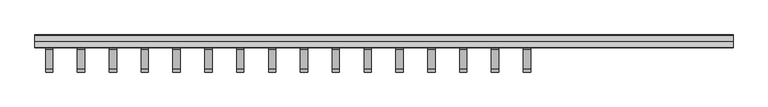
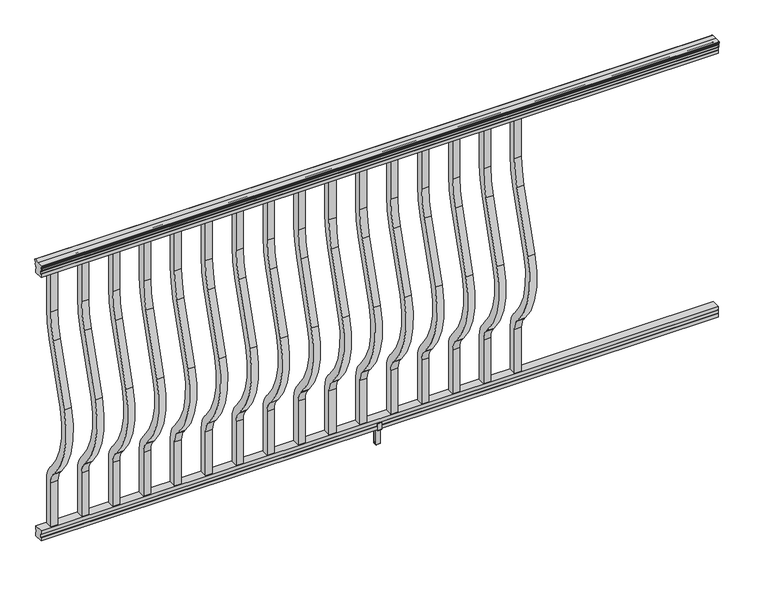
"""IFC4 building model written with IfcOpenShell, lengths in millimetres: railing geometry."""

from ifc_helpers import new_model, si_unit, point, frame, frame_2d, origin, place, context, project, spatial, polyline, circle_curve, trimmed, segment, composite_curve, outline, extrude, faceted_brep, source, transform, mapped, element, save
from ifc_brep_helpers import plane_surface, cylinder_surface, revolved_surface, advanced_brep


def railing_68f44a37(model_context):
    return source(origin(), model_context, "Body", "SolidModel", [
        advanced_brep(
        [(19455.8841294, -49289.7992427, 1090.8043297), (19455.8841294, -49287.225414, 1090.8043297), (19455.8841294, -49287.225414, 1080.147013), (19455.8841294, -49288.241414, 1079.131013), (19455.8841294, -49288.241414, 1066.8), (19455.8841294, -49256.491414, 1066.8), (19455.8841294, -49256.491414, 1079.2888283), (19455.8841294, -49257.507414, 1080.3048283), (19455.8841294, -49257.507414, 1090.8043297), (19455.8841294, -49254.9335853, 1090.8043297), (19455.8841294, -49254.9335853, 1092.692412), (19455.8841294, -49253.803399, 1094.2546695), (19455.8841294, -49253.803399, 1101.4726458), (19455.8841294, -49254.4526554, 1103.9060812), (19455.8841294, -49251.9526554, 1108.2362083), (19455.8841294, -49250.5433129, 1109.9157972), (19455.8841294, -49250.1414139, 1111.0205318), (19455.8841294, -49250.141414, 1112.3608158), (19455.8841294, -49251.6948612, 1113.914263), (19455.8841294, -49272.366414, 1113.914263), (19455.8841294, -49293.0379668, 1113.914263), (19455.8841294, -49294.591414, 1112.3608158), (19455.8841294, -49294.591414, 1111.0205318), (19455.8841294, -49294.1895151, 1109.9157972), (19455.8841294, -49292.7801726, 1108.2362083), (19455.8841294, -49290.2801726, 1103.9060812), (19455.8841294, -49290.929429, 1101.4726458), (19455.8841294, -49290.929429, 1094.2546695), (19455.8841294, -49289.7992427, 1092.692412), (17017.4841294, -49289.7992427, 1090.8043297), (17017.4841294, -49289.7992427, 1092.692412), (17017.4841294, -49290.929429, 1094.2546695), (17017.4841294, -49290.929429, 1101.4726458), (17017.4841294, -49290.2801726, 1103.9060812), (17017.4841294, -49292.7801726, 1108.2362083), (17017.4841294, -49294.1895151, 1109.9157972), (17017.4841294, -49294.5914141, 1111.0205318), (17017.4841294, -49294.591414, 1112.3608158), (17017.4841294, -49293.0379668, 1113.914263), (17017.4841294, -49272.366414, 1113.914263), (17017.4841294, -49251.6948612, 1113.914263), (17017.4841294, -49250.141414, 1112.3608158), (17017.4841294, -49250.141414, 1111.0205318), (17017.4841294, -49250.5433129, 1109.9157972), (17017.4841294, -49251.9526554, 1108.2362083), (17017.4841294, -49254.4526554, 1103.9060812), (17017.4841294, -49253.803399, 1101.4726458), (17017.4841294, -49253.803399, 1094.2546695), (17017.4841294, -49254.9335853, 1092.692412), (17017.4841294, -49254.9335853, 1090.8043297), (17017.4841294, -49257.507414, 1090.8043297), (17017.4841294, -49257.507414, 1080.3048283), (17017.4841294, -49256.491414, 1079.2888283), (17017.4841294, -49256.491414, 1066.8), (17017.4841294, -49288.241414, 1066.8), (17017.4841294, -49288.241414, 1079.131013), (17017.4841294, -49287.225414, 1080.147013), (17017.4841294, -49287.225414, 1090.8043297)],
        [
            (0, 1, circle_curve(frame((19455.8841294, -49288.5123284, 1090.8043297), z_axis=(1.0, 0.0, 0.0), x_axis=(0.0, 1.0, 0.0)), 1.2869144)),
            (1, 2),
            (2, 3),
            (3, 4),
            (4, 5),
            (5, 6),
            (6, 7),
            (7, 8),
            (8, 9, circle_curve(frame((19455.8841294, -49256.2204996, 1090.8043297), z_axis=(1.0, 0.0, 0.0), x_axis=(0.0, -1.0, 0.0)), 1.2869144)),
            (9, 10),
            (10, 11, circle_curve(frame((19455.8841294, -49261.2483386, 1098.4506383), z_axis=(1.0, 0.0, 0.0), x_axis=(0.0, -1.0, 0.0)), 8.545951)),
            (11, 12, circle_curve(frame((19455.8841294, -49260.8112756, 1097.8636577), z_axis=(1.0, 0.0, 0.0), x_axis=(0.0, -1.0, 0.0)), 7.882584)),
            (12, 13, circle_curve(frame((19455.8841294, -49250.2979515, 1103.7112527), z_axis=(-1.0, 0.0, 0.0), x_axis=(0.0, -1.0, 0.0)), 4.1592695)),
            (13, 14, circle_curve(frame((19455.8841294, -49249.0106449, 1103.6508864), z_axis=(-1.0, 0.0, 0.0), x_axis=(0.0, -1.0, 0.0)), 5.4479907)),
            (14, 15, circle_curve(frame((19455.8841294, -49250.2438033, 1108.233395), z_axis=(-1.0, 0.0, 0.0), x_axis=(0.0, -1.0, 0.0)), 1.7088543)),
            (15, 16, circle_curve(frame((19455.8841294, -49251.8607034, 1111.0205318), z_axis=(1.0, 0.0, 0.0), x_axis=(0.0, -1.0, 0.0)), 1.7192895)),
            (16, 17),
            (17, 18, circle_curve(frame((19455.8841294, -49251.6948612, 1112.3608158), z_axis=(1.0, 0.0, 0.0), x_axis=(0.0, -1.0, 0.0)), 1.5534472)),
            (18, 19),
            (19, 20),
            (20, 21, circle_curve(frame((19455.8841294, -49293.0379668, 1112.3608158), z_axis=(1.0, 0.0, 0.0), x_axis=(0.0, 1.0, 0.0)), 1.5534472)),
            (21, 22),
            (22, 23, circle_curve(frame((19455.8841294, -49292.8721246, 1111.0205318), z_axis=(1.0, 0.0, 0.0), x_axis=(0.0, 1.0, 0.0)), 1.7192895)),
            (23, 24, circle_curve(frame((19455.8841294, -49294.4890247, 1108.233395), z_axis=(-1.0, 0.0, 0.0), x_axis=(0.0, 1.0, 0.0)), 1.7088543)),
            (24, 25, circle_curve(frame((19455.8841294, -49295.7221831, 1103.6508864), z_axis=(-1.0, 0.0, 0.0), x_axis=(0.0, 1.0, 0.0)), 5.4479907)),
            (25, 26, circle_curve(frame((19455.8841294, -49294.4348766, 1103.7112527), z_axis=(-1.0, 0.0, 0.0), x_axis=(0.0, 1.0, 0.0)), 4.1592695)),
            (26, 27, circle_curve(frame((19455.8841294, -49283.9215524, 1097.8636577), z_axis=(1.0, 0.0, 0.0), x_axis=(0.0, 1.0, 0.0)), 7.882584)),
            (27, 28, circle_curve(frame((19455.8841294, -49283.4844895, 1098.4506383), z_axis=(1.0, 0.0, 0.0), x_axis=(0.0, 1.0, 0.0)), 8.545951)),
            (28, 0),
            (29, 30),
            (30, 31, circle_curve(frame((17017.4841294, -49283.4844895, 1098.4506383), z_axis=(-1.0, 0.0, 0.0), x_axis=(0.0, 1.0, 0.0)), 8.545951)),
            (31, 32, circle_curve(frame((17017.4841294, -49283.9215524, 1097.8636577), z_axis=(-1.0, 0.0, 0.0), x_axis=(0.0, 1.0, 0.0)), 7.882584)),
            (32, 33, circle_curve(frame((17017.4841294, -49294.4348766, 1103.7112527), z_axis=(1.0, 0.0, 0.0), x_axis=(0.0, 1.0, 0.0)), 4.1592695)),
            (33, 34, circle_curve(frame((17017.4841294, -49295.7221831, 1103.6508864), z_axis=(1.0, 0.0, 0.0), x_axis=(0.0, 1.0, 0.0)), 5.4479907)),
            (34, 35, circle_curve(frame((17017.4841294, -49294.4890247, 1108.233395), z_axis=(1.0, 0.0, 0.0), x_axis=(0.0, 1.0, 0.0)), 1.7088543)),
            (35, 36, circle_curve(frame((17017.4841294, -49292.8721246, 1111.0205318), z_axis=(-1.0, 0.0, 0.0), x_axis=(0.0, 1.0, 0.0)), 1.7192895)),
            (36, 37),
            (37, 38, circle_curve(frame((17017.4841294, -49293.0379668, 1112.3608158), z_axis=(-1.0, 0.0, 0.0), x_axis=(0.0, 1.0, 0.0)), 1.5534472)),
            (38, 39),
            (39, 40),
            (40, 41, circle_curve(frame((17017.4841294, -49251.6948612, 1112.3608158), z_axis=(-1.0, 0.0, 0.0), x_axis=(0.0, -1.0, 0.0)), 1.5534472)),
            (41, 42),
            (42, 43, circle_curve(frame((17017.4841294, -49251.8607034, 1111.0205318), z_axis=(-1.0, 0.0, 0.0), x_axis=(0.0, -1.0, 0.0)), 1.7192895)),
            (43, 44, circle_curve(frame((17017.4841294, -49250.2438033, 1108.233395), z_axis=(1.0, 0.0, 0.0), x_axis=(0.0, -1.0, 0.0)), 1.7088543)),
            (44, 45, circle_curve(frame((17017.4841294, -49249.0106449, 1103.6508864), z_axis=(1.0, 0.0, 0.0), x_axis=(0.0, -1.0, 0.0)), 5.4479907)),
            (45, 46, circle_curve(frame((17017.4841294, -49250.2979515, 1103.7112527), z_axis=(1.0, 0.0, 0.0), x_axis=(0.0, -1.0, 0.0)), 4.1592695)),
            (46, 47, circle_curve(frame((17017.4841294, -49260.8112756, 1097.8636577), z_axis=(-1.0, 0.0, 0.0), x_axis=(0.0, -1.0, 0.0)), 7.882584)),
            (47, 48, circle_curve(frame((17017.4841294, -49261.2483386, 1098.4506383), z_axis=(-1.0, 0.0, 0.0), x_axis=(0.0, -1.0, 0.0)), 8.545951)),
            (48, 49),
            (49, 50, circle_curve(frame((17017.4841294, -49256.2204996, 1090.8043297), z_axis=(-1.0, 0.0, 0.0), x_axis=(0.0, -1.0, 0.0)), 1.2869144)),
            (50, 51),
            (51, 52),
            (52, 53),
            (53, 54),
            (54, 55),
            (55, 56),
            (56, 57),
            (57, 29, circle_curve(frame((17017.4841294, -49288.5123284, 1090.8043297), z_axis=(-1.0, 0.0, 0.0), x_axis=(0.0, 1.0, 0.0)), 1.2869144)),
            (0, 29),
            (57, 1),
            (56, 2),
            (55, 3),
            (54, 4),
            (53, 5),
            (52, 6),
            (51, 7),
            (50, 8),
            (49, 9),
            (48, 10),
            (47, 11),
            (46, 12),
            (45, 13),
            (44, 14),
            (43, 15),
            (42, 16),
            (41, 17),
            (40, 18),
            (39, 19),
            (38, 20),
            (37, 21),
            (36, 22),
            (35, 23),
            (34, 24),
            (33, 25),
            (32, 26),
            (31, 27),
            (30, 28),
        ],
        [
            plane_surface(frame((19455.8841294, -49272.366414, 1066.8), z_axis=(1.0, 0.0, 0.0), x_axis=(0.0, -1.0, 0.0))),
            plane_surface(frame((17017.4841294, -49272.366414, 1066.8), z_axis=(-1.0, 0.0, 0.0), x_axis=(0.0, -1.0, 0.0))),
            cylinder_surface(frame((19455.8841294, -49288.5123284, 1090.8043297), z_axis=(1.0, 0.0, 0.0), x_axis=(0.0, 1.0, 0.0)), 1.2869144),
            plane_surface(frame((19455.8841294, -49287.225414, 1090.8043297), z_axis=(0.0, -1.0, 0.0), x_axis=(-1.0, 0.0, 0.0))),
            plane_surface(frame((19455.8841294, -49287.225414, 1080.147013), z_axis=(0.0, -0.7071067811865395, 0.7071067811865556), x_axis=(-1.0, 0.0, 0.0))),
            plane_surface(frame((19455.8841294, -49288.241414, 1079.131013), z_axis=(0.0, -1.0, 0.0), x_axis=(-1.0, 0.0, 0.0))),
            plane_surface(frame((19455.8841294, -49288.241414, 1066.8), z_axis=(0.0, 0.0, -1.0), x_axis=(-1.0, 0.0, 0.0))),
            plane_surface(frame((19455.8841294, -49256.491414, 1066.8), z_axis=(0.0, 1.0, 0.0), x_axis=(-1.0, 0.0, 0.0))),
            plane_surface(frame((19455.8841294, -49256.491414, 1079.2888283), z_axis=(0.0, 0.7071067811865432, 0.707106781186552), x_axis=(-1.0, 0.0, 0.0))),
            plane_surface(frame((19455.8841294, -49257.507414, 1080.3048283), z_axis=(0.0, 1.0, 0.0), x_axis=(-1.0, 0.0, 0.0))),
            cylinder_surface(frame((19455.8841294, -49256.2204996, 1090.8043297), z_axis=(1.0, 0.0, 0.0), x_axis=(0.0, -1.0, 0.0)), 1.2869144),
            plane_surface(frame((19455.8841294, -49254.9335853, 1090.8043297), z_axis=(0.0, 1.0, 0.0), x_axis=(-1.0, 0.0, 0.0))),
            cylinder_surface(frame((19455.8841294, -49261.2483386, 1098.4506383), z_axis=(1.0, 0.0, 0.0), x_axis=(0.0, -1.0, 0.0)), 8.545951),
            cylinder_surface(frame((19455.8841294, -49260.8112756, 1097.8636577), z_axis=(1.0, 0.0, 0.0), x_axis=(0.0, -1.0, 0.0)), 7.882584),
            revolved_surface(polyline([(17017.4841294, -49254.457221, 1103.7112527), (19455.8841294, -49254.457221, 1103.7112527)]), (19455.8841294, -49250.2979515, 1103.7112527), (-1.0, 0.0, 0.0)),
            revolved_surface(polyline([(17017.4841294, -49254.4586356, 1103.6508864), (19455.8841294, -49254.4586356, 1103.6508864)]), (19455.8841294, -49249.0106449, 1103.6508864), (-1.0, 0.0, 0.0)),
            revolved_surface(polyline([(17017.4841294, -49251.9526576, 1108.233395), (19455.8841294, -49251.9526576, 1108.233395)]), (19455.8841294, -49250.2438033, 1108.233395), (-1.0, 0.0, 0.0)),
            cylinder_surface(frame((19455.8841294, -49251.8607034, 1111.0205318), z_axis=(1.0, 0.0, 0.0), x_axis=(0.0, -1.0, 0.0)), 1.7192895),
            plane_surface(frame((19455.8841294, -49250.141414, 1111.0205318), z_axis=(0.0, 1.0, 0.0), x_axis=(-1.0, 0.0, 0.0))),
            cylinder_surface(frame((19455.8841294, -49251.6948612, 1112.3608158), z_axis=(1.0, 0.0, 0.0), x_axis=(0.0, -1.0, 0.0)), 1.5534472),
            plane_surface(frame((19455.8841294, -49251.6948612, 1113.914263), z_axis=(0.0, 0.0, 1.0), x_axis=(-1.0, 0.0, 0.0))),
            plane_surface(frame((19455.8841294, -49272.366414, 1113.914263), z_axis=(0.0, 0.0, 1.0), x_axis=(-1.0, 0.0, 0.0))),
            cylinder_surface(frame((19455.8841294, -49293.0379668, 1112.3608158), z_axis=(1.0, 0.0, 0.0), x_axis=(0.0, 1.0, 0.0)), 1.5534472),
            plane_surface(frame((19455.8841294, -49294.591414, 1112.3608158), z_axis=(0.0, -1.0, 0.0), x_axis=(-1.0, 0.0, 0.0))),
            cylinder_surface(frame((19455.8841294, -49292.8721246, 1111.0205318), z_axis=(1.0, 0.0, 0.0), x_axis=(0.0, 1.0, 0.0)), 1.7192895),
            revolved_surface(polyline([(17017.4841294, -49292.7801704, 1108.233395), (19455.8841294, -49292.7801704, 1108.233395)]), (19455.8841294, -49294.4890247, 1108.233395), (-1.0, 0.0, 0.0)),
            revolved_surface(polyline([(17017.4841294, -49290.2741924, 1103.6508864), (19455.8841294, -49290.2741924, 1103.6508864)]), (19455.8841294, -49295.7221831, 1103.6508864), (-1.0, 0.0, 0.0)),
            revolved_surface(polyline([(17017.4841294, -49290.2756071, 1103.7112527), (19455.8841294, -49290.2756071, 1103.7112527)]), (19455.8841294, -49294.4348766, 1103.7112527), (-1.0, 0.0, 0.0)),
            cylinder_surface(frame((19455.8841294, -49283.9215524, 1097.8636577), z_axis=(1.0, 0.0, 0.0), x_axis=(0.0, 1.0, 0.0)), 7.882584),
            cylinder_surface(frame((19455.8841294, -49283.4844895, 1098.4506383), z_axis=(1.0, 0.0, 0.0), x_axis=(0.0, 1.0, 0.0)), 8.545951),
            plane_surface(frame((19455.8841294, -49289.7992427, 1092.692412), z_axis=(0.0, -1.0, 0.0), x_axis=(-1.0, 0.0, 0.0))),
        ],
        [
            (0, [[1, 2, 3, 4, 5, 6, 7, 8, 9, 10, 11, 12, 13, 14, 15, 16, 17, 18, 19, 20, 21, 22, 23, 24, 25, 26, 27, 28, 29]]),
            (1, [[30, 31, 32, 33, 34, 35, 36, 37, 38, 39, 40, 41, 42, 43, 44, 45, 46, 47, 48, 49, 50, 51, 52, 53, 54, 55, 56, 57, 58]]),
            (2, [[-1, 59, -58, 60]]),
            (3, [[-2, -60, -57, 61]]),
            (4, [[-3, -61, -56, 62]]),
            (5, [[-4, -62, -55, 63]]),
            (6, [[-5, -63, -54, 64]]),
            (7, [[-6, -64, -53, 65]]),
            (8, [[-7, -65, -52, 66]]),
            (9, [[-8, -66, -51, 67]]),
            (10, [[-9, -67, -50, 68]]),
            (11, [[-10, -68, -49, 69]]),
            (12, [[-11, -69, -48, 70]]),
            (13, [[-12, -70, -47, 71]]),
            (14, [[-13, -71, -46, 72]]),
            (15, [[-14, -72, -45, 73]]),
            (16, [[-15, -73, -44, 74]]),
            (17, [[-16, -74, -43, 75]]),
            (18, [[-17, -75, -42, 76]]),
            (19, [[-18, -76, -41, 77]]),
            (20, [[-19, -77, -40, 78]]),
            (21, [[-20, -78, -39, 79]]),
            (22, [[-21, -79, -38, 80]]),
            (23, [[-22, -80, -37, 81]]),
            (24, [[-23, -81, -36, 82]]),
            (25, [[-24, -82, -35, 83]]),
            (26, [[-25, -83, -34, 84]]),
            (27, [[-26, -84, -33, 85]]),
            (28, [[-27, -85, -32, 86]]),
            (29, [[-28, -86, -31, 87]]),
            (30, [[-29, -87, -30, -59]]),
        ],
    ),
        faceted_brep([(19455.8841294, -49288.2789009, 76.0541976), (19455.8841294, -49288.2789009, 63.5), (19455.8841294, -49256.5289009, 63.5), (19455.8841294, -49256.5289009, 76.0375508), (19455.8841294, -49257.5449009, 77.3858283), (19455.8841294, -49257.5449009, 87.6975248), (19455.8841294, -49256.5289009, 89.0458024), (19455.8841294, -49256.5289009, 101.5958781), (19455.8841294, -49288.2789009, 101.5958781), (19455.8841294, -49288.2789009, 89.0624492), (19455.8841294, -49287.2629009, 87.7141717), (19455.8841294, -49287.2629009, 77.3546183), (17017.4841294, -49288.2789009, 76.0541976), (17017.4841294, -49287.2629009, 77.3546183), (17017.4841294, -49287.2629009, 87.7141717), (17017.4841294, -49288.2789009, 89.0624492), (17017.4841294, -49288.2789009, 101.5958781), (17017.4841294, -49256.5289009, 101.5958781), (17017.4841294, -49256.5289009, 89.0458024), (17017.4841294, -49257.5449009, 87.6975248), (17017.4841294, -49257.5449009, 77.3858283), (17017.4841294, -49256.5289009, 76.0375508), (17017.4841294, -49256.5289009, 63.5), (17017.4841294, -49288.2789009, 63.5)], [[[0, 1, 2, 3, 4, 5, 6, 7, 8, 9, 10, 11]], [[12, 13, 14, 15, 16, 17, 18, 19, 20, 21, 22, 23]], [[1, 0, 12, 23]], [[2, 1, 23, 22]], [[3, 2, 22, 21]], [[4, 3, 21, 20]], [[5, 4, 20, 19]], [[6, 5, 19, 18]], [[7, 6, 18, 17]], [[8, 7, 17, 16]], [[9, 8, 16, 15]], [[10, 9, 15, 14]], [[11, 10, 14, 13]], [[0, 11, 13, 12]]]),
        extrude(outline(composite_curve([segment(trimmed(circle_curve(frame_2d((-49632.366414, 921.03216)), 372.7), [point((-49259.666414, 921.03216))], [point((-49275.9516315, 812.0652257))], False, "CARTESIAN"), True, "CONTINUOUS"), segment(polyline([(-49275.9516315, 812.0652257), (-49343.7789093, 590.2121964)]), True, "CONTINUOUS"), segment(trimmed(circle_curve(frame_2d((-49088.158648, 512.0612397)), 267.3), [point((-49343.7789093, 590.2121964))], [point((-49287.4736709, 333.9522516))], True, "CARTESIAN"), True, "CONTINUOUS"), segment(polyline([(-49287.4736709, 333.9522516), (-49281.9719976, 327.7955374)]), True, "CONTINUOUS"), segment(trimmed(circle_curve(frame_2d((-49347.366414, 269.3587313)), 87.7), [point((-49281.9719976, 327.7955374))], [point((-49259.666414, 269.3587313))], False, "CARTESIAN"), True, "CONTINUOUS"), segment(polyline([(-49259.666414, 269.3587313), (-49259.666414, 101.5958781), (-49285.066414, 101.5958781), (-49285.066414, 269.3587313)]), True, "CONTINUOUS"), segment(trimmed(circle_curve(frame_2d((-49347.366414, 269.3587313)), 62.3), [point((-49285.066414, 269.3587313))], [point((-49300.9117716, 310.8708524))], True, "CARTESIAN"), True, "CONTINUOUS"), segment(polyline([(-49300.9117716, 310.8708524), (-49306.4134448, 317.0275666)]), True, "CONTINUOUS"), segment(trimmed(circle_curve(frame_2d((-49088.158648, 512.0612397)), 292.7), [point((-49306.4134448, 317.0275666))], [point((-49368.0690501, 597.6384377))], False, "CARTESIAN"), True, "CONTINUOUS"), segment(polyline([(-49368.0690501, 597.6384377), (-49300.2417723, 819.491467)]), True, "CONTINUOUS"), segment(trimmed(circle_curve(frame_2d((-49632.366414, 921.03216)), 347.3), [point((-49300.2417723, 819.491467))], [point((-49285.066414, 921.03216))], True, "CARTESIAN"), True, "CONTINUOUS"), segment(polyline([(-49285.066414, 921.03216), (-49285.066414, 1066.8), (-49259.666414, 1066.8), (-49259.666414, 921.03216)]), True, "CONTINUOUS")], self_intersect=False)), frame((17054.5681294, 0.0, 0.0), z_axis=(1.0, 0.0, 0.0), x_axis=(0.0, 1.0, 0.0)), (0.0, 0.0, 1.0), 25.4),
        extrude(outline(composite_curve([segment(trimmed(circle_curve(frame_2d((-49632.366414, 921.03216)), 372.7), [point((-49259.666414, 921.03216))], [point((-49275.9516315, 812.0652257))], False, "CARTESIAN"), True, "CONTINUOUS"), segment(polyline([(-49275.9516315, 812.0652257), (-49343.7789093, 590.2121964)]), True, "CONTINUOUS"), segment(trimmed(circle_curve(frame_2d((-49088.158648, 512.0612397)), 267.3), [point((-49343.7789093, 590.2121964))], [point((-49287.4736709, 333.9522516))], True, "CARTESIAN"), True, "CONTINUOUS"), segment(polyline([(-49287.4736709, 333.9522516), (-49281.9719976, 327.7955374)]), True, "CONTINUOUS"), segment(trimmed(circle_curve(frame_2d((-49347.366414, 269.3587313)), 87.7), [point((-49281.9719976, 327.7955374))], [point((-49259.666414, 269.3587313))], False, "CARTESIAN"), True, "CONTINUOUS"), segment(polyline([(-49259.666414, 269.3587313), (-49259.666414, 101.5958781), (-49285.066414, 101.5958781), (-49285.066414, 269.3587313)]), True, "CONTINUOUS"), segment(trimmed(circle_curve(frame_2d((-49347.366414, 269.3587313)), 62.3), [point((-49285.066414, 269.3587313))], [point((-49300.9117716, 310.8708524))], True, "CARTESIAN"), True, "CONTINUOUS"), segment(polyline([(-49300.9117716, 310.8708524), (-49306.4134448, 317.0275666)]), True, "CONTINUOUS"), segment(trimmed(circle_curve(frame_2d((-49088.158648, 512.0612397)), 292.7), [point((-49306.4134448, 317.0275666))], [point((-49368.0690501, 597.6384377))], False, "CARTESIAN"), True, "CONTINUOUS"), segment(polyline([(-49368.0690501, 597.6384377), (-49300.2417723, 819.491467)]), True, "CONTINUOUS"), segment(trimmed(circle_curve(frame_2d((-49632.366414, 921.03216)), 347.3), [point((-49300.2417723, 819.491467))], [point((-49285.066414, 921.03216))], True, "CARTESIAN"), True, "CONTINUOUS"), segment(polyline([(-49285.066414, 921.03216), (-49285.066414, 1066.8), (-49259.666414, 1066.8), (-49259.666414, 921.03216)]), True, "CONTINUOUS")], self_intersect=False)), frame((17165.8201294, 0.0, 0.0), z_axis=(1.0, 0.0, 0.0), x_axis=(0.0, 1.0, 0.0)), (0.0, 0.0, 1.0), 25.4),
        extrude(outline(composite_curve([segment(trimmed(circle_curve(frame_2d((-49632.366414, 921.03216)), 372.7), [point((-49259.666414, 921.03216))], [point((-49275.9516315, 812.0652257))], False, "CARTESIAN"), True, "CONTINUOUS"), segment(polyline([(-49275.9516315, 812.0652257), (-49343.7789093, 590.2121964)]), True, "CONTINUOUS"), segment(trimmed(circle_curve(frame_2d((-49088.158648, 512.0612397)), 267.3), [point((-49343.7789093, 590.2121964))], [point((-49287.4736709, 333.9522516))], True, "CARTESIAN"), True, "CONTINUOUS"), segment(polyline([(-49287.4736709, 333.9522516), (-49281.9719976, 327.7955374)]), True, "CONTINUOUS"), segment(trimmed(circle_curve(frame_2d((-49347.366414, 269.3587313)), 87.7), [point((-49281.9719976, 327.7955374))], [point((-49259.666414, 269.3587313))], False, "CARTESIAN"), True, "CONTINUOUS"), segment(polyline([(-49259.666414, 269.3587313), (-49259.666414, 101.5958781), (-49285.066414, 101.5958781), (-49285.066414, 269.3587313)]), True, "CONTINUOUS"), segment(trimmed(circle_curve(frame_2d((-49347.366414, 269.3587313)), 62.3), [point((-49285.066414, 269.3587313))], [point((-49300.9117716, 310.8708524))], True, "CARTESIAN"), True, "CONTINUOUS"), segment(polyline([(-49300.9117716, 310.8708524), (-49306.4134448, 317.0275666)]), True, "CONTINUOUS"), segment(trimmed(circle_curve(frame_2d((-49088.158648, 512.0612397)), 292.7), [point((-49306.4134448, 317.0275666))], [point((-49368.0690501, 597.6384377))], False, "CARTESIAN"), True, "CONTINUOUS"), segment(polyline([(-49368.0690501, 597.6384377), (-49300.2417723, 819.491467)]), True, "CONTINUOUS"), segment(trimmed(circle_curve(frame_2d((-49632.366414, 921.03216)), 347.3), [point((-49300.2417723, 819.491467))], [point((-49285.066414, 921.03216))], True, "CARTESIAN"), True, "CONTINUOUS"), segment(polyline([(-49285.066414, 921.03216), (-49285.066414, 1066.8), (-49259.666414, 1066.8), (-49259.666414, 921.03216)]), True, "CONTINUOUS")], self_intersect=False)), frame((17277.0721294, 0.0, 0.0), z_axis=(1.0, 0.0, 0.0), x_axis=(0.0, 1.0, 0.0)), (0.0, 0.0, 1.0), 25.4),
        extrude(outline(composite_curve([segment(trimmed(circle_curve(frame_2d((-49632.366414, 921.03216)), 372.7), [point((-49259.666414, 921.03216))], [point((-49275.9516315, 812.0652257))], False, "CARTESIAN"), True, "CONTINUOUS"), segment(polyline([(-49275.9516315, 812.0652257), (-49343.7789093, 590.2121964)]), True, "CONTINUOUS"), segment(trimmed(circle_curve(frame_2d((-49088.158648, 512.0612397)), 267.3), [point((-49343.7789093, 590.2121964))], [point((-49287.4736709, 333.9522516))], True, "CARTESIAN"), True, "CONTINUOUS"), segment(polyline([(-49287.4736709, 333.9522516), (-49281.9719976, 327.7955374)]), True, "CONTINUOUS"), segment(trimmed(circle_curve(frame_2d((-49347.366414, 269.3587313)), 87.7), [point((-49281.9719976, 327.7955374))], [point((-49259.666414, 269.3587313))], False, "CARTESIAN"), True, "CONTINUOUS"), segment(polyline([(-49259.666414, 269.3587313), (-49259.666414, 101.5958781), (-49285.066414, 101.5958781), (-49285.066414, 269.3587313)]), True, "CONTINUOUS"), segment(trimmed(circle_curve(frame_2d((-49347.366414, 269.3587313)), 62.3), [point((-49285.066414, 269.3587313))], [point((-49300.9117716, 310.8708524))], True, "CARTESIAN"), True, "CONTINUOUS"), segment(polyline([(-49300.9117716, 310.8708524), (-49306.4134448, 317.0275666)]), True, "CONTINUOUS"), segment(trimmed(circle_curve(frame_2d((-49088.158648, 512.0612397)), 292.7), [point((-49306.4134448, 317.0275666))], [point((-49368.0690501, 597.6384377))], False, "CARTESIAN"), True, "CONTINUOUS"), segment(polyline([(-49368.0690501, 597.6384377), (-49300.2417723, 819.491467)]), True, "CONTINUOUS"), segment(trimmed(circle_curve(frame_2d((-49632.366414, 921.03216)), 347.3), [point((-49300.2417723, 819.491467))], [point((-49285.066414, 921.03216))], True, "CARTESIAN"), True, "CONTINUOUS"), segment(polyline([(-49285.066414, 921.03216), (-49285.066414, 1066.8), (-49259.666414, 1066.8), (-49259.666414, 921.03216)]), True, "CONTINUOUS")], self_intersect=False)), frame((17388.3241294, 0.0, 0.0), z_axis=(1.0, 0.0, 0.0), x_axis=(0.0, 1.0, 0.0)), (0.0, 0.0, 1.0), 25.4),
        extrude(outline(composite_curve([segment(trimmed(circle_curve(frame_2d((-49632.366414, 921.03216)), 372.7), [point((-49259.666414, 921.03216))], [point((-49275.9516315, 812.0652257))], False, "CARTESIAN"), True, "CONTINUOUS"), segment(polyline([(-49275.9516315, 812.0652257), (-49343.7789093, 590.2121964)]), True, "CONTINUOUS"), segment(trimmed(circle_curve(frame_2d((-49088.158648, 512.0612397)), 267.3), [point((-49343.7789093, 590.2121964))], [point((-49287.4736709, 333.9522516))], True, "CARTESIAN"), True, "CONTINUOUS"), segment(polyline([(-49287.4736709, 333.9522516), (-49281.9719976, 327.7955374)]), True, "CONTINUOUS"), segment(trimmed(circle_curve(frame_2d((-49347.366414, 269.3587313)), 87.7), [point((-49281.9719976, 327.7955374))], [point((-49259.666414, 269.3587313))], False, "CARTESIAN"), True, "CONTINUOUS"), segment(polyline([(-49259.666414, 269.3587313), (-49259.666414, 101.5958781), (-49285.066414, 101.5958781), (-49285.066414, 269.3587313)]), True, "CONTINUOUS"), segment(trimmed(circle_curve(frame_2d((-49347.366414, 269.3587313)), 62.3), [point((-49285.066414, 269.3587313))], [point((-49300.9117716, 310.8708524))], True, "CARTESIAN"), True, "CONTINUOUS"), segment(polyline([(-49300.9117716, 310.8708524), (-49306.4134448, 317.0275666)]), True, "CONTINUOUS"), segment(trimmed(circle_curve(frame_2d((-49088.158648, 512.0612397)), 292.7), [point((-49306.4134448, 317.0275666))], [point((-49368.0690501, 597.6384377))], False, "CARTESIAN"), True, "CONTINUOUS"), segment(polyline([(-49368.0690501, 597.6384377), (-49300.2417723, 819.491467)]), True, "CONTINUOUS"), segment(trimmed(circle_curve(frame_2d((-49632.366414, 921.03216)), 347.3), [point((-49300.2417723, 819.491467))], [point((-49285.066414, 921.03216))], True, "CARTESIAN"), True, "CONTINUOUS"), segment(polyline([(-49285.066414, 921.03216), (-49285.066414, 1066.8), (-49259.666414, 1066.8), (-49259.666414, 921.03216)]), True, "CONTINUOUS")], self_intersect=False)), frame((17499.5761294, 0.0, 0.0), z_axis=(1.0, 0.0, 0.0), x_axis=(0.0, 1.0, 0.0)), (0.0, 0.0, 1.0), 25.4),
        extrude(outline(composite_curve([segment(trimmed(circle_curve(frame_2d((-49632.366414, 921.03216)), 372.7), [point((-49259.666414, 921.03216))], [point((-49275.9516315, 812.0652257))], False, "CARTESIAN"), True, "CONTINUOUS"), segment(polyline([(-49275.9516315, 812.0652257), (-49343.7789093, 590.2121964)]), True, "CONTINUOUS"), segment(trimmed(circle_curve(frame_2d((-49088.158648, 512.0612397)), 267.3), [point((-49343.7789093, 590.2121964))], [point((-49287.4736709, 333.9522516))], True, "CARTESIAN"), True, "CONTINUOUS"), segment(polyline([(-49287.4736709, 333.9522516), (-49281.9719976, 327.7955374)]), True, "CONTINUOUS"), segment(trimmed(circle_curve(frame_2d((-49347.366414, 269.3587313)), 87.7), [point((-49281.9719976, 327.7955374))], [point((-49259.666414, 269.3587313))], False, "CARTESIAN"), True, "CONTINUOUS"), segment(polyline([(-49259.666414, 269.3587313), (-49259.666414, 101.5958781), (-49285.066414, 101.5958781), (-49285.066414, 269.3587313)]), True, "CONTINUOUS"), segment(trimmed(circle_curve(frame_2d((-49347.366414, 269.3587313)), 62.3), [point((-49285.066414, 269.3587313))], [point((-49300.9117716, 310.8708524))], True, "CARTESIAN"), True, "CONTINUOUS"), segment(polyline([(-49300.9117716, 310.8708524), (-49306.4134448, 317.0275666)]), True, "CONTINUOUS"), segment(trimmed(circle_curve(frame_2d((-49088.158648, 512.0612397)), 292.7), [point((-49306.4134448, 317.0275666))], [point((-49368.0690501, 597.6384377))], False, "CARTESIAN"), True, "CONTINUOUS"), segment(polyline([(-49368.0690501, 597.6384377), (-49300.2417723, 819.491467)]), True, "CONTINUOUS"), segment(trimmed(circle_curve(frame_2d((-49632.366414, 921.03216)), 347.3), [point((-49300.2417723, 819.491467))], [point((-49285.066414, 921.03216))], True, "CARTESIAN"), True, "CONTINUOUS"), segment(polyline([(-49285.066414, 921.03216), (-49285.066414, 1066.8), (-49259.666414, 1066.8), (-49259.666414, 921.03216)]), True, "CONTINUOUS")], self_intersect=False)), frame((17610.8281294, 0.0, 0.0), z_axis=(1.0, 0.0, 0.0), x_axis=(0.0, 1.0, 0.0)), (0.0, 0.0, 1.0), 25.4),
        extrude(outline(composite_curve([segment(trimmed(circle_curve(frame_2d((-49632.366414, 921.03216)), 372.7), [point((-49259.666414, 921.03216))], [point((-49275.9516315, 812.0652257))], False, "CARTESIAN"), True, "CONTINUOUS"), segment(polyline([(-49275.9516315, 812.0652257), (-49343.7789093, 590.2121964)]), True, "CONTINUOUS"), segment(trimmed(circle_curve(frame_2d((-49088.158648, 512.0612397)), 267.3), [point((-49343.7789093, 590.2121964))], [point((-49287.4736709, 333.9522516))], True, "CARTESIAN"), True, "CONTINUOUS"), segment(polyline([(-49287.4736709, 333.9522516), (-49281.9719976, 327.7955374)]), True, "CONTINUOUS"), segment(trimmed(circle_curve(frame_2d((-49347.366414, 269.3587313)), 87.7), [point((-49281.9719976, 327.7955374))], [point((-49259.666414, 269.3587313))], False, "CARTESIAN"), True, "CONTINUOUS"), segment(polyline([(-49259.666414, 269.3587313), (-49259.666414, 101.5958781), (-49285.066414, 101.5958781), (-49285.066414, 269.3587313)]), True, "CONTINUOUS"), segment(trimmed(circle_curve(frame_2d((-49347.366414, 269.3587313)), 62.3), [point((-49285.066414, 269.3587313))], [point((-49300.9117716, 310.8708524))], True, "CARTESIAN"), True, "CONTINUOUS"), segment(polyline([(-49300.9117716, 310.8708524), (-49306.4134448, 317.0275666)]), True, "CONTINUOUS"), segment(trimmed(circle_curve(frame_2d((-49088.158648, 512.0612397)), 292.7), [point((-49306.4134448, 317.0275666))], [point((-49368.0690501, 597.6384377))], False, "CARTESIAN"), True, "CONTINUOUS"), segment(polyline([(-49368.0690501, 597.6384377), (-49300.2417723, 819.491467)]), True, "CONTINUOUS"), segment(trimmed(circle_curve(frame_2d((-49632.366414, 921.03216)), 347.3), [point((-49300.2417723, 819.491467))], [point((-49285.066414, 921.03216))], True, "CARTESIAN"), True, "CONTINUOUS"), segment(polyline([(-49285.066414, 921.03216), (-49285.066414, 1066.8), (-49259.666414, 1066.8), (-49259.666414, 921.03216)]), True, "CONTINUOUS")], self_intersect=False)), frame((17722.0801294, 0.0, 0.0), z_axis=(1.0, 0.0, 0.0), x_axis=(0.0, 1.0, 0.0)), (0.0, 0.0, 1.0), 25.4),
        extrude(outline(composite_curve([segment(trimmed(circle_curve(frame_2d((-49632.366414, 921.03216)), 372.7), [point((-49259.666414, 921.03216))], [point((-49275.9516315, 812.0652257))], False, "CARTESIAN"), True, "CONTINUOUS"), segment(polyline([(-49275.9516315, 812.0652257), (-49343.7789093, 590.2121964)]), True, "CONTINUOUS"), segment(trimmed(circle_curve(frame_2d((-49088.158648, 512.0612397)), 267.3), [point((-49343.7789093, 590.2121964))], [point((-49287.4736709, 333.9522516))], True, "CARTESIAN"), True, "CONTINUOUS"), segment(polyline([(-49287.4736709, 333.9522516), (-49281.9719976, 327.7955374)]), True, "CONTINUOUS"), segment(trimmed(circle_curve(frame_2d((-49347.366414, 269.3587313)), 87.7), [point((-49281.9719976, 327.7955374))], [point((-49259.666414, 269.3587313))], False, "CARTESIAN"), True, "CONTINUOUS"), segment(polyline([(-49259.666414, 269.3587313), (-49259.666414, 101.5958781), (-49285.066414, 101.5958781), (-49285.066414, 269.3587313)]), True, "CONTINUOUS"), segment(trimmed(circle_curve(frame_2d((-49347.366414, 269.3587313)), 62.3), [point((-49285.066414, 269.3587313))], [point((-49300.9117716, 310.8708524))], True, "CARTESIAN"), True, "CONTINUOUS"), segment(polyline([(-49300.9117716, 310.8708524), (-49306.4134448, 317.0275666)]), True, "CONTINUOUS"), segment(trimmed(circle_curve(frame_2d((-49088.158648, 512.0612397)), 292.7), [point((-49306.4134448, 317.0275666))], [point((-49368.0690501, 597.6384377))], False, "CARTESIAN"), True, "CONTINUOUS"), segment(polyline([(-49368.0690501, 597.6384377), (-49300.2417723, 819.491467)]), True, "CONTINUOUS"), segment(trimmed(circle_curve(frame_2d((-49632.366414, 921.03216)), 347.3), [point((-49300.2417723, 819.491467))], [point((-49285.066414, 921.03216))], True, "CARTESIAN"), True, "CONTINUOUS"), segment(polyline([(-49285.066414, 921.03216), (-49285.066414, 1066.8), (-49259.666414, 1066.8), (-49259.666414, 921.03216)]), True, "CONTINUOUS")], self_intersect=False)), frame((17833.3321294, 0.0, 0.0), z_axis=(1.0, 0.0, 0.0), x_axis=(0.0, 1.0, 0.0)), (0.0, 0.0, 1.0), 25.4),
        extrude(outline(composite_curve([segment(trimmed(circle_curve(frame_2d((-49632.366414, 921.03216)), 372.7), [point((-49259.666414, 921.03216))], [point((-49275.9516315, 812.0652257))], False, "CARTESIAN"), True, "CONTINUOUS"), segment(polyline([(-49275.9516315, 812.0652257), (-49343.7789093, 590.2121964)]), True, "CONTINUOUS"), segment(trimmed(circle_curve(frame_2d((-49088.158648, 512.0612397)), 267.3), [point((-49343.7789093, 590.2121964))], [point((-49287.4736709, 333.9522516))], True, "CARTESIAN"), True, "CONTINUOUS"), segment(polyline([(-49287.4736709, 333.9522516), (-49281.9719976, 327.7955374)]), True, "CONTINUOUS"), segment(trimmed(circle_curve(frame_2d((-49347.366414, 269.3587313)), 87.7), [point((-49281.9719976, 327.7955374))], [point((-49259.666414, 269.3587313))], False, "CARTESIAN"), True, "CONTINUOUS"), segment(polyline([(-49259.666414, 269.3587313), (-49259.666414, 101.5958781), (-49285.066414, 101.5958781), (-49285.066414, 269.3587313)]), True, "CONTINUOUS"), segment(trimmed(circle_curve(frame_2d((-49347.366414, 269.3587313)), 62.3), [point((-49285.066414, 269.3587313))], [point((-49300.9117716, 310.8708524))], True, "CARTESIAN"), True, "CONTINUOUS"), segment(polyline([(-49300.9117716, 310.8708524), (-49306.4134448, 317.0275666)]), True, "CONTINUOUS"), segment(trimmed(circle_curve(frame_2d((-49088.158648, 512.0612397)), 292.7), [point((-49306.4134448, 317.0275666))], [point((-49368.0690501, 597.6384377))], False, "CARTESIAN"), True, "CONTINUOUS"), segment(polyline([(-49368.0690501, 597.6384377), (-49300.2417723, 819.491467)]), True, "CONTINUOUS"), segment(trimmed(circle_curve(frame_2d((-49632.366414, 921.03216)), 347.3), [point((-49300.2417723, 819.491467))], [point((-49285.066414, 921.03216))], True, "CARTESIAN"), True, "CONTINUOUS"), segment(polyline([(-49285.066414, 921.03216), (-49285.066414, 1066.8), (-49259.666414, 1066.8), (-49259.666414, 921.03216)]), True, "CONTINUOUS")], self_intersect=False)), frame((17944.5841294, 0.0, 0.0), z_axis=(1.0, 0.0, 0.0), x_axis=(0.0, 1.0, 0.0)), (0.0, 0.0, 1.0), 25.4),
        extrude(outline(composite_curve([segment(trimmed(circle_curve(frame_2d((-49632.366414, 921.03216)), 372.7), [point((-49259.666414, 921.03216))], [point((-49275.9516315, 812.0652257))], False, "CARTESIAN"), True, "CONTINUOUS"), segment(polyline([(-49275.9516315, 812.0652257), (-49343.7789093, 590.2121964)]), True, "CONTINUOUS"), segment(trimmed(circle_curve(frame_2d((-49088.158648, 512.0612397)), 267.3), [point((-49343.7789093, 590.2121964))], [point((-49287.4736709, 333.9522516))], True, "CARTESIAN"), True, "CONTINUOUS"), segment(polyline([(-49287.4736709, 333.9522516), (-49281.9719976, 327.7955374)]), True, "CONTINUOUS"), segment(trimmed(circle_curve(frame_2d((-49347.366414, 269.3587313)), 87.7), [point((-49281.9719976, 327.7955374))], [point((-49259.666414, 269.3587313))], False, "CARTESIAN"), True, "CONTINUOUS"), segment(polyline([(-49259.666414, 269.3587313), (-49259.666414, 101.5958781), (-49285.066414, 101.5958781), (-49285.066414, 269.3587313)]), True, "CONTINUOUS"), segment(trimmed(circle_curve(frame_2d((-49347.366414, 269.3587313)), 62.3), [point((-49285.066414, 269.3587313))], [point((-49300.9117716, 310.8708524))], True, "CARTESIAN"), True, "CONTINUOUS"), segment(polyline([(-49300.9117716, 310.8708524), (-49306.4134448, 317.0275666)]), True, "CONTINUOUS"), segment(trimmed(circle_curve(frame_2d((-49088.158648, 512.0612397)), 292.7), [point((-49306.4134448, 317.0275666))], [point((-49368.0690501, 597.6384377))], False, "CARTESIAN"), True, "CONTINUOUS"), segment(polyline([(-49368.0690501, 597.6384377), (-49300.2417723, 819.491467)]), True, "CONTINUOUS"), segment(trimmed(circle_curve(frame_2d((-49632.366414, 921.03216)), 347.3), [point((-49300.2417723, 819.491467))], [point((-49285.066414, 921.03216))], True, "CARTESIAN"), True, "CONTINUOUS"), segment(polyline([(-49285.066414, 921.03216), (-49285.066414, 1066.8), (-49259.666414, 1066.8), (-49259.666414, 921.03216)]), True, "CONTINUOUS")], self_intersect=False)), frame((18055.8361294, 0.0, 0.0), z_axis=(1.0, 0.0, 0.0), x_axis=(0.0, 1.0, 0.0)), (0.0, 0.0, 1.0), 25.4),
        extrude(outline(composite_curve([segment(trimmed(circle_curve(frame_2d((-49632.366414, 921.03216)), 372.7), [point((-49259.666414, 921.03216))], [point((-49275.9516315, 812.0652257))], False, "CARTESIAN"), True, "CONTINUOUS"), segment(polyline([(-49275.9516315, 812.0652257), (-49343.7789093, 590.2121964)]), True, "CONTINUOUS"), segment(trimmed(circle_curve(frame_2d((-49088.158648, 512.0612397)), 267.3), [point((-49343.7789093, 590.2121964))], [point((-49287.4736709, 333.9522516))], True, "CARTESIAN"), True, "CONTINUOUS"), segment(polyline([(-49287.4736709, 333.9522516), (-49281.9719976, 327.7955374)]), True, "CONTINUOUS"), segment(trimmed(circle_curve(frame_2d((-49347.366414, 269.3587313)), 87.7), [point((-49281.9719976, 327.7955374))], [point((-49259.666414, 269.3587313))], False, "CARTESIAN"), True, "CONTINUOUS"), segment(polyline([(-49259.666414, 269.3587313), (-49259.666414, 101.5958781), (-49285.066414, 101.5958781), (-49285.066414, 269.3587313)]), True, "CONTINUOUS"), segment(trimmed(circle_curve(frame_2d((-49347.366414, 269.3587313)), 62.3), [point((-49285.066414, 269.3587313))], [point((-49300.9117716, 310.8708524))], True, "CARTESIAN"), True, "CONTINUOUS"), segment(polyline([(-49300.9117716, 310.8708524), (-49306.4134448, 317.0275666)]), True, "CONTINUOUS"), segment(trimmed(circle_curve(frame_2d((-49088.158648, 512.0612397)), 292.7), [point((-49306.4134448, 317.0275666))], [point((-49368.0690501, 597.6384377))], False, "CARTESIAN"), True, "CONTINUOUS"), segment(polyline([(-49368.0690501, 597.6384377), (-49300.2417723, 819.491467)]), True, "CONTINUOUS"), segment(trimmed(circle_curve(frame_2d((-49632.366414, 921.03216)), 347.3), [point((-49300.2417723, 819.491467))], [point((-49285.066414, 921.03216))], True, "CARTESIAN"), True, "CONTINUOUS"), segment(polyline([(-49285.066414, 921.03216), (-49285.066414, 1066.8), (-49259.666414, 1066.8), (-49259.666414, 921.03216)]), True, "CONTINUOUS")], self_intersect=False)), frame((18167.0881294, 0.0, 0.0), z_axis=(1.0, 0.0, 0.0), x_axis=(0.0, 1.0, 0.0)), (0.0, 0.0, 1.0), 25.4),
        extrude(outline(polyline([(-49254.2054152, 88.7203979), (-49253.4434141, 87.9583969), (-49253.4434141, 61.4680023), (-49254.2054152, 60.7060013), (-49264.2384142, 60.7060013), (-49265.0004143, 59.9440012), (-49265.0004143, 0.7620001), (-49265.7624144, 0.0), (-49278.9704136, 0.0), (-49279.7324147, 0.762001), (-49279.7324147, 59.9440012), (-49280.4944147, 60.7060013), (-49290.5274138, 60.7060013), (-49291.2894148, 61.4680023), (-49291.2894148, 87.9583969), (-49290.5274138, 88.7203979), (-49288.4954142, 88.7203979), (-49287.4794144, 87.7043953), (-49287.4794144, 77.2686081), (-49288.4954142, 76.2526073), (-49288.4954142, 64.262001), (-49287.7334151, 63.5000019), (-49256.9994139, 63.5000019), (-49256.2374148, 64.262001), (-49256.2374148, 76.2526073), (-49257.2534146, 77.2686081), (-49257.2534146, 87.7043953), (-49256.2374148, 88.7203979), (-49254.2054152, 88.7203979)]), holes=[polyline([(-49275.7954144, 60.7060013), (-49276.5574145, 59.9440012), (-49276.5574145, 3.9370031), (-49275.7954144, 3.1750031), (-49268.9374117, 3.1750031), (-49268.1754145, 3.9370003), (-49268.1754145, 59.9440012), (-49268.9374146, 60.7060013), (-49275.7954144, 60.7060013)])]), frame((18228.0481294, 0.0, 0.0), z_axis=(1.0, 0.0, 0.0), x_axis=(0.0, 1.0, 0.0)), (0.0, 0.0, 1.0), 14.732),
        extrude(outline(composite_curve([segment(trimmed(circle_curve(frame_2d((-49632.366414, 921.03216)), 372.7), [point((-49259.666414, 921.03216))], [point((-49275.9516315, 812.0652257))], False, "CARTESIAN"), True, "CONTINUOUS"), segment(polyline([(-49275.9516315, 812.0652257), (-49343.7789093, 590.2121964)]), True, "CONTINUOUS"), segment(trimmed(circle_curve(frame_2d((-49088.158648, 512.0612397)), 267.3), [point((-49343.7789093, 590.2121964))], [point((-49287.4736709, 333.9522516))], True, "CARTESIAN"), True, "CONTINUOUS"), segment(polyline([(-49287.4736709, 333.9522516), (-49281.9719976, 327.7955374)]), True, "CONTINUOUS"), segment(trimmed(circle_curve(frame_2d((-49347.366414, 269.3587313)), 87.7), [point((-49281.9719976, 327.7955374))], [point((-49259.666414, 269.3587313))], False, "CARTESIAN"), True, "CONTINUOUS"), segment(polyline([(-49259.666414, 269.3587313), (-49259.666414, 101.5958781), (-49285.066414, 101.5958781), (-49285.066414, 269.3587313)]), True, "CONTINUOUS"), segment(trimmed(circle_curve(frame_2d((-49347.366414, 269.3587313)), 62.3), [point((-49285.066414, 269.3587313))], [point((-49300.9117716, 310.8708524))], True, "CARTESIAN"), True, "CONTINUOUS"), segment(polyline([(-49300.9117716, 310.8708524), (-49306.4134448, 317.0275666)]), True, "CONTINUOUS"), segment(trimmed(circle_curve(frame_2d((-49088.158648, 512.0612397)), 292.7), [point((-49306.4134448, 317.0275666))], [point((-49368.0690501, 597.6384377))], False, "CARTESIAN"), True, "CONTINUOUS"), segment(polyline([(-49368.0690501, 597.6384377), (-49300.2417723, 819.491467)]), True, "CONTINUOUS"), segment(trimmed(circle_curve(frame_2d((-49632.366414, 921.03216)), 347.3), [point((-49300.2417723, 819.491467))], [point((-49285.066414, 921.03216))], True, "CARTESIAN"), True, "CONTINUOUS"), segment(polyline([(-49285.066414, 921.03216), (-49285.066414, 1066.8), (-49259.666414, 1066.8), (-49259.666414, 921.03216)]), True, "CONTINUOUS")], self_intersect=False)), frame((18278.3401294, 0.0, 0.0), z_axis=(1.0, 0.0, 0.0), x_axis=(0.0, 1.0, 0.0)), (0.0, 0.0, 1.0), 25.4),
        extrude(outline(composite_curve([segment(trimmed(circle_curve(frame_2d((-49632.366414, 921.03216)), 372.7), [point((-49259.666414, 921.03216))], [point((-49275.9516315, 812.0652257))], False, "CARTESIAN"), True, "CONTINUOUS"), segment(polyline([(-49275.9516315, 812.0652257), (-49343.7789093, 590.2121964)]), True, "CONTINUOUS"), segment(trimmed(circle_curve(frame_2d((-49088.158648, 512.0612397)), 267.3), [point((-49343.7789093, 590.2121964))], [point((-49287.4736709, 333.9522516))], True, "CARTESIAN"), True, "CONTINUOUS"), segment(polyline([(-49287.4736709, 333.9522516), (-49281.9719976, 327.7955374)]), True, "CONTINUOUS"), segment(trimmed(circle_curve(frame_2d((-49347.366414, 269.3587313)), 87.7), [point((-49281.9719976, 327.7955374))], [point((-49259.666414, 269.3587313))], False, "CARTESIAN"), True, "CONTINUOUS"), segment(polyline([(-49259.666414, 269.3587313), (-49259.666414, 101.5958781), (-49285.066414, 101.5958781), (-49285.066414, 269.3587313)]), True, "CONTINUOUS"), segment(trimmed(circle_curve(frame_2d((-49347.366414, 269.3587313)), 62.3), [point((-49285.066414, 269.3587313))], [point((-49300.9117716, 310.8708524))], True, "CARTESIAN"), True, "CONTINUOUS"), segment(polyline([(-49300.9117716, 310.8708524), (-49306.4134448, 317.0275666)]), True, "CONTINUOUS"), segment(trimmed(circle_curve(frame_2d((-49088.158648, 512.0612397)), 292.7), [point((-49306.4134448, 317.0275666))], [point((-49368.0690501, 597.6384377))], False, "CARTESIAN"), True, "CONTINUOUS"), segment(polyline([(-49368.0690501, 597.6384377), (-49300.2417723, 819.491467)]), True, "CONTINUOUS"), segment(trimmed(circle_curve(frame_2d((-49632.366414, 921.03216)), 347.3), [point((-49300.2417723, 819.491467))], [point((-49285.066414, 921.03216))], True, "CARTESIAN"), True, "CONTINUOUS"), segment(polyline([(-49285.066414, 921.03216), (-49285.066414, 1066.8), (-49259.666414, 1066.8), (-49259.666414, 921.03216)]), True, "CONTINUOUS")], self_intersect=False)), frame((18389.5921294, 0.0, 0.0), z_axis=(1.0, 0.0, 0.0), x_axis=(0.0, 1.0, 0.0)), (0.0, 0.0, 1.0), 25.4),
        extrude(outline(composite_curve([segment(trimmed(circle_curve(frame_2d((-49632.366414, 921.03216)), 372.7), [point((-49259.666414, 921.03216))], [point((-49275.9516315, 812.0652257))], False, "CARTESIAN"), True, "CONTINUOUS"), segment(polyline([(-49275.9516315, 812.0652257), (-49343.7789093, 590.2121964)]), True, "CONTINUOUS"), segment(trimmed(circle_curve(frame_2d((-49088.158648, 512.0612397)), 267.3), [point((-49343.7789093, 590.2121964))], [point((-49287.4736709, 333.9522516))], True, "CARTESIAN"), True, "CONTINUOUS"), segment(polyline([(-49287.4736709, 333.9522516), (-49281.9719976, 327.7955374)]), True, "CONTINUOUS"), segment(trimmed(circle_curve(frame_2d((-49347.366414, 269.3587313)), 87.7), [point((-49281.9719976, 327.7955374))], [point((-49259.666414, 269.3587313))], False, "CARTESIAN"), True, "CONTINUOUS"), segment(polyline([(-49259.666414, 269.3587313), (-49259.666414, 101.5958781), (-49285.066414, 101.5958781), (-49285.066414, 269.3587313)]), True, "CONTINUOUS"), segment(trimmed(circle_curve(frame_2d((-49347.366414, 269.3587313)), 62.3), [point((-49285.066414, 269.3587313))], [point((-49300.9117716, 310.8708524))], True, "CARTESIAN"), True, "CONTINUOUS"), segment(polyline([(-49300.9117716, 310.8708524), (-49306.4134448, 317.0275666)]), True, "CONTINUOUS"), segment(trimmed(circle_curve(frame_2d((-49088.158648, 512.0612397)), 292.7), [point((-49306.4134448, 317.0275666))], [point((-49368.0690501, 597.6384377))], False, "CARTESIAN"), True, "CONTINUOUS"), segment(polyline([(-49368.0690501, 597.6384377), (-49300.2417723, 819.491467)]), True, "CONTINUOUS"), segment(trimmed(circle_curve(frame_2d((-49632.366414, 921.03216)), 347.3), [point((-49300.2417723, 819.491467))], [point((-49285.066414, 921.03216))], True, "CARTESIAN"), True, "CONTINUOUS"), segment(polyline([(-49285.066414, 921.03216), (-49285.066414, 1066.8), (-49259.666414, 1066.8), (-49259.666414, 921.03216)]), True, "CONTINUOUS")], self_intersect=False)), frame((18500.8441294, 0.0, 0.0), z_axis=(1.0, 0.0, 0.0), x_axis=(0.0, 1.0, 0.0)), (0.0, 0.0, 1.0), 25.4),
        extrude(outline(composite_curve([segment(trimmed(circle_curve(frame_2d((-49632.366414, 921.03216)), 372.7), [point((-49259.666414, 921.03216))], [point((-49275.9516315, 812.0652257))], False, "CARTESIAN"), True, "CONTINUOUS"), segment(polyline([(-49275.9516315, 812.0652257), (-49343.7789093, 590.2121964)]), True, "CONTINUOUS"), segment(trimmed(circle_curve(frame_2d((-49088.158648, 512.0612397)), 267.3), [point((-49343.7789093, 590.2121964))], [point((-49287.4736709, 333.9522516))], True, "CARTESIAN"), True, "CONTINUOUS"), segment(polyline([(-49287.4736709, 333.9522516), (-49281.9719976, 327.7955374)]), True, "CONTINUOUS"), segment(trimmed(circle_curve(frame_2d((-49347.366414, 269.3587313)), 87.7), [point((-49281.9719976, 327.7955374))], [point((-49259.666414, 269.3587313))], False, "CARTESIAN"), True, "CONTINUOUS"), segment(polyline([(-49259.666414, 269.3587313), (-49259.666414, 101.5958781), (-49285.066414, 101.5958781), (-49285.066414, 269.3587313)]), True, "CONTINUOUS"), segment(trimmed(circle_curve(frame_2d((-49347.366414, 269.3587313)), 62.3), [point((-49285.066414, 269.3587313))], [point((-49300.9117716, 310.8708524))], True, "CARTESIAN"), True, "CONTINUOUS"), segment(polyline([(-49300.9117716, 310.8708524), (-49306.4134448, 317.0275666)]), True, "CONTINUOUS"), segment(trimmed(circle_curve(frame_2d((-49088.158648, 512.0612397)), 292.7), [point((-49306.4134448, 317.0275666))], [point((-49368.0690501, 597.6384377))], False, "CARTESIAN"), True, "CONTINUOUS"), segment(polyline([(-49368.0690501, 597.6384377), (-49300.2417723, 819.491467)]), True, "CONTINUOUS"), segment(trimmed(circle_curve(frame_2d((-49632.366414, 921.03216)), 347.3), [point((-49300.2417723, 819.491467))], [point((-49285.066414, 921.03216))], True, "CARTESIAN"), True, "CONTINUOUS"), segment(polyline([(-49285.066414, 921.03216), (-49285.066414, 1066.8), (-49259.666414, 1066.8), (-49259.666414, 921.03216)]), True, "CONTINUOUS")], self_intersect=False)), frame((18612.0961294, 0.0, 0.0), z_axis=(1.0, 0.0, 0.0), x_axis=(0.0, 1.0, 0.0)), (0.0, 0.0, 1.0), 25.4),
        extrude(outline(composite_curve([segment(trimmed(circle_curve(frame_2d((-49632.366414, 921.03216)), 372.7), [point((-49259.666414, 921.03216))], [point((-49275.9516315, 812.0652257))], False, "CARTESIAN"), True, "CONTINUOUS"), segment(polyline([(-49275.9516315, 812.0652257), (-49343.7789093, 590.2121964)]), True, "CONTINUOUS"), segment(trimmed(circle_curve(frame_2d((-49088.158648, 512.0612397)), 267.3), [point((-49343.7789093, 590.2121964))], [point((-49287.4736709, 333.9522516))], True, "CARTESIAN"), True, "CONTINUOUS"), segment(polyline([(-49287.4736709, 333.9522516), (-49281.9719976, 327.7955374)]), True, "CONTINUOUS"), segment(trimmed(circle_curve(frame_2d((-49347.366414, 269.3587313)), 87.7), [point((-49281.9719976, 327.7955374))], [point((-49259.666414, 269.3587313))], False, "CARTESIAN"), True, "CONTINUOUS"), segment(polyline([(-49259.666414, 269.3587313), (-49259.666414, 101.5958781), (-49285.066414, 101.5958781), (-49285.066414, 269.3587313)]), True, "CONTINUOUS"), segment(trimmed(circle_curve(frame_2d((-49347.366414, 269.3587313)), 62.3), [point((-49285.066414, 269.3587313))], [point((-49300.9117716, 310.8708524))], True, "CARTESIAN"), True, "CONTINUOUS"), segment(polyline([(-49300.9117716, 310.8708524), (-49306.4134448, 317.0275666)]), True, "CONTINUOUS"), segment(trimmed(circle_curve(frame_2d((-49088.158648, 512.0612397)), 292.7), [point((-49306.4134448, 317.0275666))], [point((-49368.0690501, 597.6384377))], False, "CARTESIAN"), True, "CONTINUOUS"), segment(polyline([(-49368.0690501, 597.6384377), (-49300.2417723, 819.491467)]), True, "CONTINUOUS"), segment(trimmed(circle_curve(frame_2d((-49632.366414, 921.03216)), 347.3), [point((-49300.2417723, 819.491467))], [point((-49285.066414, 921.03216))], True, "CARTESIAN"), True, "CONTINUOUS"), segment(polyline([(-49285.066414, 921.03216), (-49285.066414, 1066.8), (-49259.666414, 1066.8), (-49259.666414, 921.03216)]), True, "CONTINUOUS")], self_intersect=False)), frame((18723.3481294, 0.0, 0.0), z_axis=(1.0, 0.0, 0.0), x_axis=(0.0, 1.0, 0.0)), (0.0, 0.0, 1.0), 25.4),
    ])


if __name__ == "__main__":
    model = new_model("IFC4")
    model_context = context("Model", 3, world=origin())
    ifc_project = project(units=[si_unit("LENGTHUNIT", "METRE", prefix="MILLI")], contexts=[model_context])
    site = spatial("IfcSite", under=ifc_project)
    building = spatial("IfcBuilding", under=site)
    placement = place(None, origin())
    railing_shape = railing_68f44a37(model_context)
    element("IfcRailing", 1, at=placement, inside=building, context=model_context, shape_type="MappedRepresentation", body=[
        mapped(railing_shape, transform((0.0, 0.0, 0.0), x_axis=(1.0, 0.0, 0.0), y_axis=(0.0, 1.0, 0.0), z_axis=(0.0, 0.0, 1.0))),
    ])
    save(model, "model.ifc")
